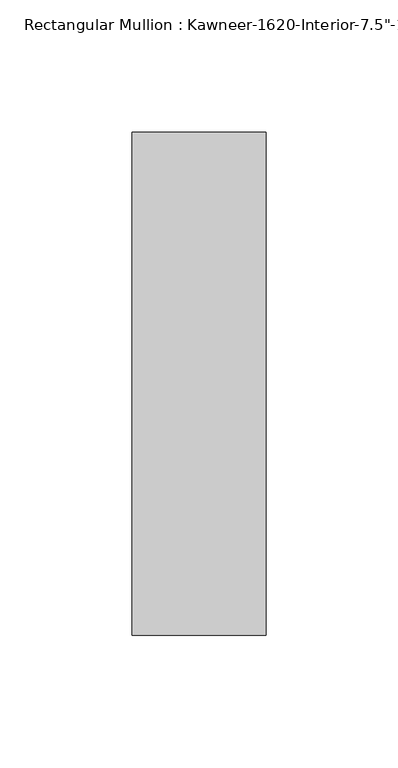
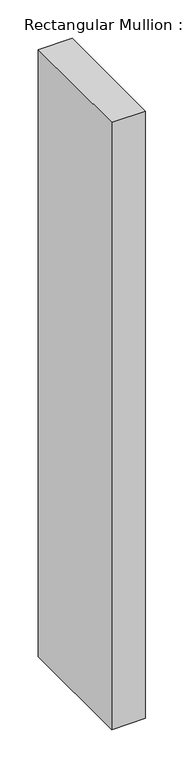
"""IFC4 building model written with IfcOpenShell, lengths in millimetres: member geometry."""

from ifc_helpers import new_model, si_unit, frame, origin, place, context, project, spatial, polyline, outline, extrude, source, transform, mapped, element, save


def member_5dd8c2e7(model_context):
    return source(origin(), model_context, "Body", "SweptSolid", [
        extrude(outline(polyline([(25.4, 161.925), (25.4, -28.575), (-25.4, -28.575), (-25.4, 161.925), (25.4, 161.925)])), frame((0.0, 0.0, -965.2), z_axis=(0.0, 0.0, 1.0), x_axis=(1.0, 0.0, 0.0)), (0.0, 0.0, 1.0), 965.2),
    ])


if __name__ == "__main__":
    model = new_model("IFC4")
    model_context = context("Model", 3, world=origin())
    ifc_project = project(units=[si_unit("LENGTHUNIT", "METRE", prefix="MILLI")], contexts=[model_context])
    site = spatial("IfcSite", under=ifc_project)
    building = spatial("IfcBuilding", under=site)
    placement = place(None, origin())
    member_shape = member_5dd8c2e7(model_context)
    element("IfcMember", 1, ObjectType="Rectangular Mullion : Kawneer-1620-Interior-7.5\"-1/4\"Infill", at=placement, inside=building, context=model_context, shape_type="MappedRepresentation", body=[
        mapped(member_shape, transform((0.0, 0.0, 0.0), x_axis=(1.0, 0.0, 0.0), y_axis=(0.0, 1.0, 0.0), z_axis=(0.0, 0.0, 1.0))),
    ])
    save(model, "model.ifc")
